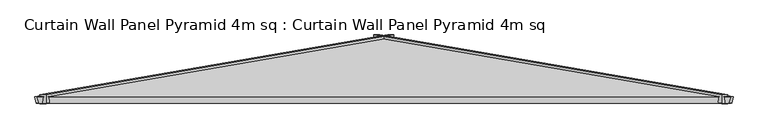
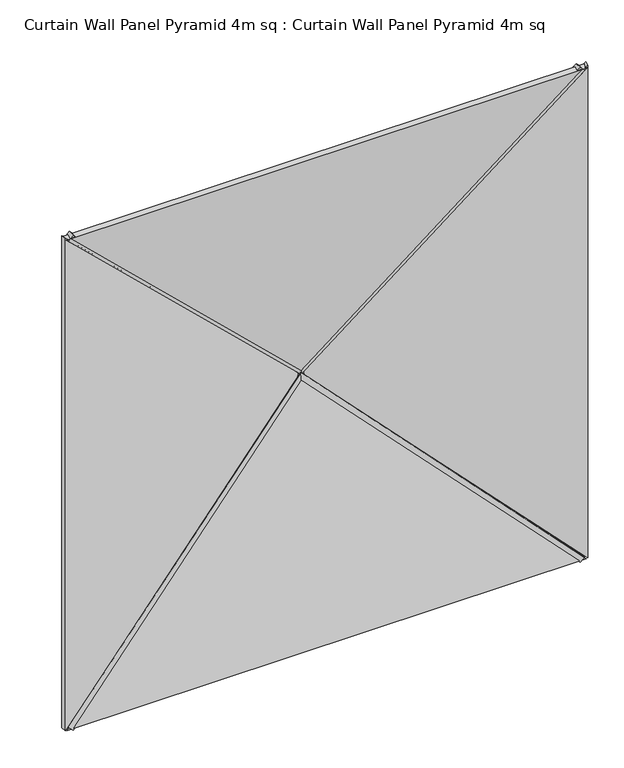
"""IFC4 building model written with IfcOpenShell, lengths in millimetres: plate geometry, Curtain Wall Panel Pyramid 4m sq : Curtain Wall Panel Pyramid 4m sq."""

from ifc_helpers import new_model, si_unit, frame, origin, place, context, project, spatial, polyline, outline, extrude, source, transform, mapped, element, save


def curtain_wall_panel_pyramid_4m_sq_curtain_wall_panel_pyramid_c42c04b0(model_context):
    return source(origin(), model_context, "Body", "SweptSolid", [
        extrude(outline(polyline([(-25.0, 0.0), (25.0, 0.0), (-319.5008531, -2828.2124727), (-369.5008531, -2828.2124727), (-25.0, 0.0)])), frame((1942.3223305, 25.0, -17.6776695), z_axis=(0.7071067811865489, 0.0, 0.7071067811865461), x_axis=(0.0, -1.0, 0.0)), (0.0, 0.0, 1.0), 50.0),
        extrude(outline(polyline([(-25.0, 0.0), (25.0, 0.0), (369.5008531, -2828.2124727), (319.5008531, -2828.2124727), (-25.0, 0.0)])), frame((-1942.3223305, 25.0, -17.6776695), z_axis=(-0.7071067811865475, 0.0, 0.7071067811865477), x_axis=(0.0, 1.0, 0.0)), (0.0, 0.0, 1.0), 50.0),
        extrude(outline(polyline([(-25.0, 0.0), (25.0, 0.0), (369.5008531, -2828.2124727), (319.5008531, -2828.2124727), (-25.0, 0.0)])), frame((-1977.6776695, 25.0, 3957.3223305), z_axis=(0.7071067811865488, 0.0, 0.7071067811865464), x_axis=(0.0, 1.0, 0.0)), (0.0, 0.0, 1.0), 50.0),
        extrude(outline(polyline([(-25.0, 0.0), (25.0, 0.0), (-319.5008531, -2828.2124727), (-369.5008531, -2828.2124727), (-25.0, 0.0)])), frame((1977.6776695, 25.0, 3957.3223305), z_axis=(-0.7071067811865472, 0.0, 0.7071067811865479), x_axis=(0.0, -1.0, 0.0)), (0.0, 0.0, 1.0), 50.0),
        extrude(outline(polyline([(1993.2098768, -1014.7271131), (-2.1709376, 1016.8143409), (3988.5906912, 1016.8143409), (1993.2098768, -1014.7271131)])), frame((1000.0, 172.8335872, 0.0), z_axis=(0.16975307948003834, 0.9854866270056859, 0.0), x_axis=(0.0, 0.0, 1.0)), (0.0, 0.0, 1.0), 40.0),
        extrude(outline(polyline([(0.0, -1014.7271131), (-1991.3928218, 1012.7540773), (1991.3928218, 1012.7540773), (0.0, -1014.7271131)])), frame((0.0, 212.2530523, 986.4197536), z_axis=(0.0, -0.9854866270056859, 0.16975307948003834), x_axis=(-1.0, 0.0, 0.0)), (0.0, 0.0, 1.0), 40.0),
        extrude(outline(polyline([(1993.2098768, 1014.7271131), (3986.6374086, -1014.8256606), (-0.217655, -1014.8256606), (1993.2098768, 1014.7271131)])), frame((-1000.0, 172.8335872, 0.0), z_axis=(-0.16975307948003834, 0.9854866270056859, 0.0), x_axis=(0.0, 0.0, 1.0)), (0.0, 0.0, 1.0), 40.0),
        extrude(outline(polyline([(1996.304868, -1017.8221042), (-1996.2959025, -1017.8221042), (2.4233431, 976.0594205), (1996.304868, -1017.8221042)])), frame((0.0, 172.8335872, 2968.2098768), z_axis=(0.0, 0.9854866270056859, 0.16975307948003832), x_axis=(1.0, 0.0, 0.0)), (0.0, 0.0, 1.0), 40.0),
    ])


if __name__ == "__main__":
    model = new_model("IFC4")
    model_context = context("Model", 3, world=origin())
    ifc_project = project(units=[si_unit("LENGTHUNIT", "METRE", prefix="MILLI")], contexts=[model_context])
    site = spatial("IfcSite", under=ifc_project)
    building = spatial("IfcBuilding", under=site)
    placement = place(None, origin())
    curtain_wall_panel_pyramid_4m_sq_curtain_wall_panel_pyramid_shape = curtain_wall_panel_pyramid_4m_sq_curtain_wall_panel_pyramid_c42c04b0(model_context)
    element("IfcPlate", 1, ObjectType="Curtain Wall Panel Pyramid 4m sq : Curtain Wall Panel Pyramid 4m sq", at=placement, inside=building, context=model_context, shape_type="MappedRepresentation", body=[
        mapped(curtain_wall_panel_pyramid_4m_sq_curtain_wall_panel_pyramid_shape, transform((0.0, 0.0, 0.0), x_axis=(1.0, 0.0, 0.0), y_axis=(0.0, 1.0, 0.0), z_axis=(0.0, 0.0, 1.0))),
    ])
    save(model, "model.ifc")
